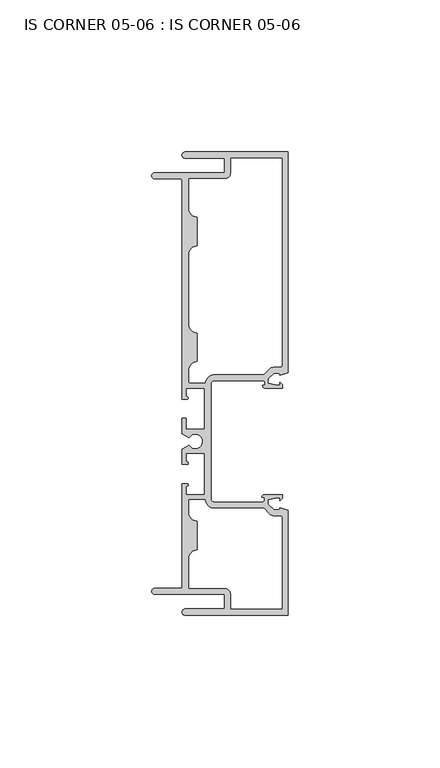
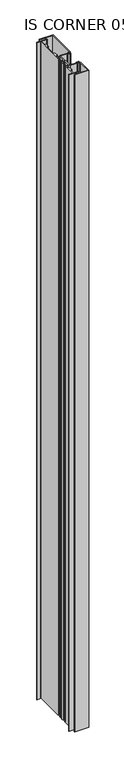
"""IFC4 building model written with IfcOpenShell, lengths in millimetres: plate geometry, IS CORNER 05-06 : IS CORNER 05-06."""

from ifc_helpers import new_model, si_unit, frame, origin, place, context, project, spatial, polyline, circle_curve, source, transform, mapped, element, save
from ifc_brep_helpers import plane_surface, cylinder_surface, revolved_surface, extruded_surface, spline_curve, advanced_brep


def is_corner_05_06_is_corner_05_06_df77340a(model_context):
    return source(origin(), model_context, "Body", "AdvancedBrep", [
        advanced_brep(
        [(-154.5590187, 107.95, 1710.2666667), (-154.5590187, 105.918, 1710.2666667), (-141.5288187, 105.918, 1710.2666667), (-141.5288187, 101.1428, 1710.2666667), (-164.5158187, 101.1428, 1710.2666667), (-164.5158187, 99.1108, 1710.2666667), (-156.0830187, 99.1108, 1710.2666667), (-155.5750187, 98.6028, 1710.2666667), (-155.5750187, 26.6065635, 1710.2666667), (-153.9113187, 26.6065635, 1710.2666667), (-153.9113187, 27.3939635, 1710.2666667), (-154.3050187, 28.0613166, 1710.2666667), (-154.3050187, 30.1879635, 1710.2666667), (-148.0820187, 30.1879635, 1710.2666667), (-148.0820187, 16.6751635, 1710.2666667), (-154.3050187, 16.6751635, 1710.2666667), (-154.3050187, 20.2565635, 1710.2666667), (-155.5750187, 20.2565635, 1710.2666667), (-155.5750187, 15.2424237, 1710.2666667), (-153.283238, 13.9192635, 1710.2666667), (-153.283238, 11.5062635, 1710.2666667), (-155.5750187, 10.1831033, 1710.2666667), (-155.5750187, 5.1689635, 1710.2666667), (-153.9113187, 5.1689635, 1710.2666667), (-154.3050187, 6.1451016, 1710.2666667), (-154.3050187, 8.7503635, 1710.2666667), (-148.0820187, 8.7503635, 1710.2666667), (-148.0820187, -4.7624365, 1710.2666667), (-154.3050187, -4.7624365, 1710.2666667), (-154.3050187, -2.1610439, 1710.2666667), (-153.9113187, -1.1849057, 1710.2666667), (-155.5750187, -1.1849057, 1710.2666667), (-155.5750187, -35.6108, 1710.2666667), (-164.5158187, -35.6108, 1710.2666667), (-164.5158187, -37.6428, 1710.2666667), (-141.5288187, -37.6428, 1710.2666667), (-141.5288187, -42.418, 1710.2666667), (-154.5590187, -42.418, 1710.2666667), (-154.5590187, -44.45, 1710.2666667), (-120.6500187, -44.45, 1710.2666667), (-120.6500187, -9.9816997, 1710.2666667), (-123.2535187, -9.06653, 1710.2666667), (-123.5124448, -9.80313, 1710.2666667), (-125.3378787, -9.80313, 1710.2666667), (-127.2159187, -7.92353, 1710.2666667), (-127.2159187, -6.4494761, 1710.2666667), (-124.2187187, -5.7912, 1710.2666667), (-123.2535187, -5.7912, 1710.2666667), (-123.2535187, -6.734082, 1710.2666667), (-122.4395461, -5.9201094, 1710.2666667), (-122.4395461, -4.7752, 1710.2666667), (-128.3026339, -4.7752, 1710.2666667), (-129.2679609, -5.740527, 1710.2666667), (-128.4859187, -5.740527, 1710.2666667), (-128.4859187, -6.680327, 1710.2666667), (-129.1209187, -7.315327, 1710.2666667), (-144.7800187, -7.315327, 1710.2666667), (-146.0500187, -6.045327, 1710.2666667), (-146.0500187, 31.445327, 1710.2666667), (-144.7800187, 32.715327, 1710.2666667), (-128.8232625, 32.715327, 1710.2666667), (-128.1882625, 32.080327, 1710.2666667), (-128.1882625, 31.140527, 1710.2666667), (-129.0447187, 31.140527, 1710.2666667), (-128.0793917, 30.1752, 1710.2666667), (-122.4395461, 30.1752, 1710.2666667), (-122.4395461, 31.3201094, 1710.2666667), (-123.2535187, 32.134082, 1710.2666667), (-123.2535187, 31.1912, 1710.2666667), (-124.2187187, 31.1912, 1710.2666667), (-127.2159187, 31.8494761, 1710.2666667), (-127.2159187, 33.32353, 1710.2666667), (-125.3378787, 35.20313, 1710.2666667), (-123.5124448, 35.20313, 1710.2666667), (-123.2535187, 34.46653, 1710.2666667), (-120.6500187, 35.3816997, 1710.2666667), (-120.6500187, 107.95, 1710.2666667), (-153.2890187, 99.1108, 1710.2666667), (-141.5288187, 99.1108, 1710.2666667), (-139.4968187, 101.1428, 1710.2666667), (-139.4968187, 105.918, 1710.2666667), (-122.6820187, 105.918, 1710.2666667), (-122.6820187, 37.74313, 1710.2666667), (-123.1900187, 37.23513, 1710.2666667), (-125.0746986, 37.23513, 1710.2666667), (-126.9613352, 36.4532007, 1710.2666667), (-128.6657931, 34.747327, 1710.2666667), (-144.7800187, 34.747327, 1710.2666667), (-148.0406949, 31.9660905, 1710.2666667), (-152.7810187, 31.9660905, 1710.2666667), (-153.2890187, 32.4740905, 1710.2666667), (-153.2890187, 36.1188, 1710.2666667), (-150.4950187, 38.9128, 1710.2666667), (-150.4950187, 48.4378, 1710.2666667), (-153.2890187, 51.2318, 1710.2666667), (-153.2890187, 74.2315, 1710.2666667), (-150.4950187, 77.0255, 1710.2666667), (-150.4950187, 86.5505, 1710.2666667), (-153.2890187, 89.3445, 1710.2666667), (-125.0746986, -11.83513, 1710.2666667), (-123.1900187, -11.83513, 1710.2666667), (-122.6820187, -12.34313, 1710.2666667), (-122.6820187, -42.418, 1710.2666667), (-139.4968187, -42.418, 1710.2666667), (-139.4968187, -37.6428, 1710.2666667), (-141.5288187, -35.6108, 1710.2666667), (-153.2890187, -35.6108, 1710.2666667), (-153.2890187, -25.8318, 1710.2666667), (-150.4950187, -23.0378, 1710.2666667), (-150.4950187, -13.5128, 1710.2666667), (-153.2890187, -10.7188, 1710.2666667), (-153.2890187, -6.5405635, 1710.2666667), (-148.0446695, -6.5405635, 1710.2666667), (-144.7800187, -9.347327, 1710.2666667), (-128.6657931, -9.347327, 1710.2666667), (-126.9613352, -11.0532007, 1710.2666667), (-154.5590187, 107.95, 0.0), (-120.6500187, 107.95, 0.0), (-120.6500187, 35.3816997, 0.0), (-123.2535187, 34.46653, 0.0), (-123.5124448, 35.20313, 0.0), (-125.3378787, 35.20313, 0.0), (-127.2159187, 33.32353, 0.0), (-127.2159187, 31.8494761, 0.0), (-124.2187187, 31.1912, 0.0), (-123.2535187, 31.1912, 0.0), (-123.2535187, 32.134082, 0.0), (-122.4395461, 31.3201094, 0.0), (-122.4395461, 30.1752, 0.0), (-128.0793917, 30.1752, 0.0), (-129.0447187, 31.140527, 0.0), (-128.1882625, 31.140527, 0.0), (-128.1882625, 32.080327, 0.0), (-128.8232625, 32.715327, 0.0), (-144.7800187, 32.715327, 0.0), (-146.0500187, 31.445327, 0.0), (-146.0500187, -6.045327, 0.0), (-144.7800187, -7.315327, 0.0), (-129.1209187, -7.315327, 0.0), (-128.4859187, -6.680327, 0.0), (-128.4859187, -5.740527, 0.0), (-129.2679609, -5.740527, 0.0), (-128.3026339, -4.7752, 0.0), (-122.4395461, -4.7752, 0.0), (-122.4395461, -5.9201094, 0.0), (-123.2535187, -6.734082, 0.0), (-123.2535187, -5.7912, 0.0), (-124.2187187, -5.7912, 0.0), (-127.2159187, -6.4494761, 0.0), (-127.2159187, -7.92353, 0.0), (-125.3378787, -9.80313, 0.0), (-123.5124448, -9.80313, 0.0), (-123.2535187, -9.06653, 0.0), (-120.6500187, -9.9816997, 0.0), (-120.6500187, -44.45, 0.0), (-154.5590187, -44.45, 0.0), (-154.5590187, -42.418, 0.0), (-141.5288187, -42.418, 0.0), (-141.5288187, -37.6428, 0.0), (-164.5158187, -37.6428, 0.0), (-164.5158187, -35.6108, 0.0), (-155.5750187, -35.6108, 0.0), (-155.5750187, -1.1849057, 0.0), (-153.9113187, -1.1849057, 0.0), (-154.3050187, -2.1610439, 0.0), (-154.3050187, -4.7624365, 0.0), (-148.0820187, -4.7624365, 0.0), (-148.0820187, 8.7503635, 0.0), (-154.3050187, 8.7503635, 0.0), (-154.3050187, 6.1451016, 0.0), (-153.9113187, 5.1689635, 0.0), (-155.5750187, 5.1689635, 0.0), (-155.5750187, 10.1831033, 0.0), (-153.283238, 11.5062635, 0.0), (-153.283238, 13.9192635, 0.0), (-155.5750187, 15.2424237, 0.0), (-155.5750187, 20.2565635, 0.0), (-154.3050187, 20.2565635, 0.0), (-154.3050187, 16.6751635, 0.0), (-148.0820187, 16.6751635, 0.0), (-148.0820187, 30.1879635, 0.0), (-154.3050187, 30.1879635, 0.0), (-154.3050187, 28.0613166, 0.0), (-153.9113187, 27.3939635, 0.0), (-153.9113187, 26.6065635, 0.0), (-155.5750187, 26.6065635, 0.0), (-155.5750187, 98.6028, 0.0), (-156.0830187, 99.1108, 0.0), (-164.5158187, 99.1108, 0.0), (-164.5158187, 101.1428, 0.0), (-141.5288187, 101.1428, 0.0), (-141.5288187, 105.918, 0.0), (-154.5590187, 105.918, 0.0), (-153.2890187, 99.1108, 0.0), (-153.2890187, 89.3445, 0.0), (-150.4950187, 86.5505, 0.0), (-150.4950187, 77.0255, 0.0), (-153.2890187, 74.2315, 0.0), (-153.2890187, 51.2318, 0.0), (-150.4950187, 48.4378, 0.0), (-150.4950187, 38.9128, 0.0), (-153.2890187, 36.1188, 0.0), (-153.2890187, 32.4740905, 0.0), (-152.7810187, 31.9660905, 0.0), (-148.0406949, 31.9660905, 0.0), (-144.7800187, 34.747327, 0.0), (-128.6657931, 34.747327, 0.0), (-126.9613352, 36.4532007, 0.0), (-125.0746986, 37.23513, 0.0), (-123.1900187, 37.23513, 0.0), (-122.6820187, 37.74313, 0.0), (-122.6820187, 105.918, 0.0), (-139.4968187, 105.918, 0.0), (-139.4968187, 101.1428, 0.0), (-141.5288187, 99.1108, 0.0), (-125.0746986, -11.83513, 0.0), (-126.9613352, -11.0532007, 0.0), (-128.6657931, -9.347327, 0.0), (-144.7800187, -9.347327, 0.0), (-148.0446695, -6.5405635, 0.0), (-153.2890187, -6.5405635, 0.0), (-153.2890187, -10.7188, 0.0), (-150.4950187, -13.5128, 0.0), (-150.4950187, -23.0378, 0.0), (-153.2890187, -25.8318, 0.0), (-153.2890187, -35.6108, 0.0), (-141.5288187, -35.6108, 0.0), (-139.4968187, -37.6428, 0.0), (-139.4968187, -42.418, 0.0), (-122.6820187, -42.418, 0.0), (-122.6820187, -12.34313, 0.0), (-123.1900187, -11.83513, 0.0)],
        [
            (0, 1, circle_curve(frame((-154.5590187, 106.934, 1710.2666667), z_axis=(0.0, 0.0, 1.0), x_axis=(0.0, 1.0, 0.0)), 1.016)),
            (1, 2),
            (2, 3),
            (3, 4),
            (4, 5, circle_curve(frame((-164.5158187, 100.1268, 1710.2666667), z_axis=(0.0, 0.0, 1.0), x_axis=(0.0, 1.0, 0.0)), 1.016)),
            (5, 6),
            (6, 7, circle_curve(frame((-156.0830187, 98.6028, 1710.2666667), z_axis=(0.0, 0.0, -1.0), x_axis=(0.0, 1.0, 0.0)), 0.508)),
            (7, 8),
            (8, 9),
            (9, 10, circle_curve(frame((-153.9113187, 27.0002635, 1710.2666667), z_axis=(0.0, 0.0, 1.0), x_axis=(0.0, 1.0, 0.0)), 0.3937)),
            (10, 11, circle_curve(frame((-153.5425602, 28.0613166, 1710.2666667), z_axis=(0.0, 0.0, -1.0), x_axis=(0.0, 1.0, 0.0)), 0.7624585)),
            (11, 12),
            (12, 13),
            (13, 14),
            (14, 15),
            (15, 16),
            (16, 17),
            (17, 18),
            (18, 19),
            (19, 20, circle_curve(frame((-151.1935187, 12.7127635, 1710.2666667), z_axis=(0.0, 0.0, -1.0), x_axis=(0.0, 1.0, 0.0)), 2.413)),
            (20, 21),
            (21, 22),
            (22, 23),
            (23, 24, spline_curve(3, [(-153.9113187, 5.1689635, 1710.2666667), (-153.671535181, 5.211243804, 1710.2666667), (-153.630374786, 5.24201685, 1710.2666667), (-153.562269102, 5.317468563, 1710.2666667), (-153.554627603, 5.360805734, 1710.2666667), (-153.539135997, 5.546790741, 1710.2666667), (-153.532769866, 5.725625622, 1710.2666667), (-153.746569705, 5.939336439, 1710.2666667), (-154.011155468, 5.93933635, 1710.2666667), (-154.3050187, 6.1451016, 1710.2666667)], [4, 2, 2, 2, 4], [0.0, 0.0005581775979920252, 0.0014141886036385456, 0.002659292844354508, 0.004147214338502557])),
            (24, 25),
            (25, 26),
            (26, 27),
            (27, 28),
            (28, 29),
            (29, 30, spline_curve(3, [(-154.3050187, -2.1610439, 1710.2666667), (-154.011155468, -1.95527865, 1710.2666667), (-153.746569705, -1.955278639, 1710.2666667), (-153.532769866, -1.741567822, 1710.2666667), (-153.539135997, -1.562732941, 1710.2666667), (-153.554627603, -1.376747934, 1710.2666667), (-153.562269102, -1.333410763, 1710.2666667), (-153.630374786, -1.25795905, 1710.2666667), (-153.671535181, -1.227186004, 1710.2666667), (-153.9113187, -1.1849057, 1710.2666667)], [4, 2, 2, 2, 4], [0.0, 0.0014879214941480494, 0.0027330257348640117, 0.003589036740510532, 0.004147214338502557])),
            (30, 31),
            (31, 32),
            (32, 33),
            (33, 34, circle_curve(frame((-164.5158187, -36.6268, 1710.2666667), z_axis=(0.0, 0.0, 1.0), x_axis=(0.0, 1.0, 0.0)), 1.016)),
            (34, 35),
            (35, 36),
            (36, 37),
            (37, 38, circle_curve(frame((-154.5590187, -43.434, 1710.2666667), z_axis=(0.0, 0.0, 1.0), x_axis=(0.0, 1.0, 0.0)), 1.016)),
            (38, 39),
            (39, 40),
            (40, 41),
            (41, 42),
            (42, 43),
            (43, 44),
            (44, 45),
            (45, 46),
            (46, 47),
            (47, 48),
            (48, 49),
            (49, 50),
            (50, 51),
            (51, 52, circle_curve(frame((-128.3026339, -5.740527, 1710.2666667), z_axis=(0.0, 0.0, 1.0), x_axis=(0.0, 1.0, 0.0)), 0.965327)),
            (52, 53),
            (53, 54),
            (54, 55, circle_curve(frame((-129.1209187, -6.680327, 1710.2666667), z_axis=(0.0, 0.0, -1.0), x_axis=(0.0, 1.0, 0.0)), 0.635)),
            (55, 56),
            (56, 57, circle_curve(frame((-144.7800187, -6.045327, 1710.2666667), z_axis=(0.0, 0.0, -1.0), x_axis=(0.0, 1.0, 0.0)), 1.27)),
            (57, 58),
            (58, 59, circle_curve(frame((-144.7800187, 31.445327, 1710.2666667), z_axis=(0.0, 0.0, -1.0), x_axis=(0.0, 1.0, 0.0)), 1.27)),
            (59, 60),
            (60, 61, circle_curve(frame((-128.8232625, 32.080327, 1710.2666667), z_axis=(0.0, 0.0, -1.0), x_axis=(0.0, 1.0, 0.0)), 0.635)),
            (61, 62),
            (62, 63),
            (63, 64, circle_curve(frame((-128.0793917, 31.140527, 1710.2666667), z_axis=(0.0, 0.0, 1.0), x_axis=(0.0, 1.0, 0.0)), 0.965327)),
            (64, 65),
            (65, 66),
            (66, 67),
            (67, 68),
            (68, 69),
            (69, 70),
            (70, 71),
            (71, 72),
            (72, 73),
            (73, 74),
            (74, 75),
            (75, 76),
            (76, 0),
            (77, 78),
            (78, 79, circle_curve(frame((-141.5288187, 101.1428, 1710.2666667), z_axis=(0.0, 0.0, 1.0), x_axis=(0.0, 1.0, 0.0)), 2.032)),
            (79, 80),
            (80, 81),
            (81, 82),
            (82, 83, circle_curve(frame((-123.1900187, 37.74313, 1710.2666667), z_axis=(0.0, 0.0, -1.0), x_axis=(0.0, 1.0, 0.0)), 0.508)),
            (83, 84),
            (84, 85, circle_curve(frame((-125.0746986, 34.56813, 1710.2666667), z_axis=(0.0, 0.0, 1.0), x_axis=(0.0, 1.0, 0.0)), 2.667)),
            (85, 86),
            (86, 87),
            (87, 88, circle_curve(frame((-144.7800187, 31.445327, 1710.2666667), z_axis=(0.0, 0.0, 1.0), x_axis=(0.0, 1.0, 0.0)), 3.302)),
            (88, 89),
            (89, 90, circle_curve(frame((-152.7810187, 32.4740905, 1710.2666667), z_axis=(0.0, 0.0, -1.0), x_axis=(0.0, 1.0, 0.0)), 0.508)),
            (90, 91),
            (91, 92, circle_curve(frame((-150.4950187, 36.1188, 1710.2666667), z_axis=(0.0, 0.0, -1.0), x_axis=(0.0, 1.0, 0.0)), 2.794)),
            (92, 93),
            (93, 94, circle_curve(frame((-150.4950187, 51.2318, 1710.2666667), z_axis=(0.0, 0.0, -1.0), x_axis=(0.0, 1.0, 0.0)), 2.794)),
            (94, 95),
            (95, 96, circle_curve(frame((-150.4950187, 74.2315, 1710.2666667), z_axis=(0.0, 0.0, -1.0), x_axis=(0.0, 1.0, 0.0)), 2.794)),
            (96, 97),
            (97, 98, circle_curve(frame((-150.4950187, 89.3445, 1710.2666667), z_axis=(0.0, 0.0, -1.0), x_axis=(0.0, 1.0, 0.0)), 2.794)),
            (98, 77),
            (99, 100),
            (100, 101, circle_curve(frame((-123.1900187, -12.34313, 1710.2666667), z_axis=(0.0, 0.0, -1.0), x_axis=(0.0, 1.0, 0.0)), 0.508)),
            (101, 102),
            (102, 103),
            (103, 104),
            (104, 105, circle_curve(frame((-141.5288187, -37.6428, 1710.2666667), z_axis=(0.0, 0.0, 1.0), x_axis=(0.0, 1.0, 0.0)), 2.032)),
            (105, 106),
            (106, 107),
            (107, 108, circle_curve(frame((-150.4950187, -25.8318, 1710.2666667), z_axis=(0.0, 0.0, -1.0), x_axis=(0.0, 1.0, 0.0)), 2.794)),
            (108, 109),
            (109, 110, circle_curve(frame((-150.4950187, -10.7188, 1710.2666667), z_axis=(0.0, 0.0, -1.0), x_axis=(0.0, 1.0, 0.0)), 2.794)),
            (110, 111),
            (111, 112),
            (112, 113, circle_curve(frame((-144.7800187, -6.045327, 1710.2666667), z_axis=(0.0, 0.0, 1.0), x_axis=(0.0, 1.0, 0.0)), 3.302)),
            (113, 114),
            (114, 115),
            (115, 99, circle_curve(frame((-125.0746986, -9.16813, 1710.2666667), z_axis=(0.0, 0.0, 1.0), x_axis=(0.0, 1.0, 0.0)), 2.667)),
            (116, 117),
            (117, 118),
            (118, 119),
            (119, 120),
            (120, 121),
            (121, 122),
            (122, 123),
            (123, 124),
            (124, 125),
            (125, 126),
            (126, 127),
            (127, 128),
            (128, 129),
            (129, 130, circle_curve(frame((-128.0793917, 31.140527, 0.0), z_axis=(0.0, 0.0, -1.0), x_axis=(0.0, 1.0, 0.0)), 0.965327)),
            (130, 131),
            (131, 132),
            (132, 133, circle_curve(frame((-128.8232625, 32.080327, 0.0), z_axis=(0.0, 0.0, 1.0), x_axis=(0.0, 1.0, 0.0)), 0.635)),
            (133, 134),
            (134, 135, circle_curve(frame((-144.7800187, 31.445327, 0.0), z_axis=(0.0, 0.0, 1.0), x_axis=(0.0, 1.0, 0.0)), 1.27)),
            (135, 136),
            (136, 137, circle_curve(frame((-144.7800187, -6.045327, 0.0), z_axis=(0.0, 0.0, 1.0), x_axis=(0.0, 1.0, 0.0)), 1.27)),
            (137, 138),
            (138, 139, circle_curve(frame((-129.1209187, -6.680327, 0.0), z_axis=(0.0, 0.0, 1.0), x_axis=(0.0, 1.0, 0.0)), 0.635)),
            (139, 140),
            (140, 141),
            (141, 142, circle_curve(frame((-128.3026339, -5.740527, 0.0), z_axis=(0.0, 0.0, -1.0), x_axis=(0.0, 1.0, 0.0)), 0.965327)),
            (142, 143),
            (143, 144),
            (144, 145),
            (145, 146),
            (146, 147),
            (147, 148),
            (148, 149),
            (149, 150),
            (150, 151),
            (151, 152),
            (152, 153),
            (153, 154),
            (154, 155),
            (155, 156, circle_curve(frame((-154.5590187, -43.434, 0.0), z_axis=(0.0, 0.0, -1.0), x_axis=(0.0, 1.0, 0.0)), 1.016)),
            (156, 157),
            (157, 158),
            (158, 159),
            (159, 160, circle_curve(frame((-164.5158187, -36.6268, 0.0), z_axis=(0.0, 0.0, -1.0), x_axis=(0.0, 1.0, 0.0)), 1.016)),
            (160, 161),
            (161, 162),
            (162, 163),
            (163, 164, spline_curve(3, [(-153.9113187, -1.1849057, 0.0), (-153.671535181, -1.227186004, 0.0), (-153.630374786, -1.25795905, 0.0), (-153.562269102, -1.333410763, 0.0), (-153.554627603, -1.376747934, 0.0), (-153.539135997, -1.562732941, 0.0), (-153.532769866, -1.741567822, 0.0), (-153.746569705, -1.955278639, 0.0), (-154.011155468, -1.95527865, 0.0), (-154.3050187, -2.1610439, 0.0)], [4, 2, 2, 2, 4], [0.0, 0.0005581775979920252, 0.0014141886036385456, 0.002659292844354508, 0.004147214338502557])),
            (164, 165),
            (165, 166),
            (166, 167),
            (167, 168),
            (168, 169),
            (169, 170, spline_curve(3, [(-154.3050187, 6.1451016, 0.0), (-154.011155468, 5.93933635, 0.0), (-153.746569705, 5.939336439, 0.0), (-153.532769866, 5.725625622, 0.0), (-153.539135997, 5.546790741, 0.0), (-153.554627603, 5.360805734, 0.0), (-153.562269102, 5.317468563, 0.0), (-153.630374786, 5.24201685, 0.0), (-153.671535181, 5.211243804, 0.0), (-153.9113187, 5.1689635, 0.0)], [4, 2, 2, 2, 4], [0.0, 0.0014879214941480494, 0.0027330257348640117, 0.003589036740510532, 0.004147214338502557])),
            (170, 171),
            (171, 172),
            (172, 173),
            (173, 174, circle_curve(frame((-151.1935187, 12.7127635, 0.0), z_axis=(0.0, 0.0, 1.0), x_axis=(0.0, 1.0, 0.0)), 2.413)),
            (174, 175),
            (175, 176),
            (176, 177),
            (177, 178),
            (178, 179),
            (179, 180),
            (180, 181),
            (181, 182),
            (182, 183, circle_curve(frame((-153.5425602, 28.0613166, 0.0), z_axis=(0.0, 0.0, 1.0), x_axis=(0.0, 1.0, 0.0)), 0.7624585)),
            (183, 184, circle_curve(frame((-153.9113187, 27.0002635, 0.0), z_axis=(0.0, 0.0, -1.0), x_axis=(0.0, 1.0, 0.0)), 0.3937)),
            (184, 185),
            (185, 186),
            (186, 187, circle_curve(frame((-156.0830187, 98.6028, 0.0), z_axis=(0.0, 0.0, 1.0), x_axis=(0.0, 1.0, 0.0)), 0.508)),
            (187, 188),
            (188, 189, circle_curve(frame((-164.5158187, 100.1268, 0.0), z_axis=(0.0, 0.0, -1.0), x_axis=(0.0, 1.0, 0.0)), 1.016)),
            (189, 190),
            (190, 191),
            (191, 192),
            (192, 116, circle_curve(frame((-154.5590187, 106.934, 0.0), z_axis=(0.0, 0.0, -1.0), x_axis=(0.0, 1.0, 0.0)), 1.016)),
            (193, 194),
            (194, 195, circle_curve(frame((-150.4950187, 89.3445, 0.0), z_axis=(0.0, 0.0, 1.0), x_axis=(0.0, 1.0, 0.0)), 2.794)),
            (195, 196),
            (196, 197, circle_curve(frame((-150.4950187, 74.2315, 0.0), z_axis=(0.0, 0.0, 1.0), x_axis=(0.0, 1.0, 0.0)), 2.794)),
            (197, 198),
            (198, 199, circle_curve(frame((-150.4950187, 51.2318, 0.0), z_axis=(0.0, 0.0, 1.0), x_axis=(0.0, 1.0, 0.0)), 2.794)),
            (199, 200),
            (200, 201, circle_curve(frame((-150.4950187, 36.1188, 0.0), z_axis=(0.0, 0.0, 1.0), x_axis=(0.0, 1.0, 0.0)), 2.794)),
            (201, 202),
            (202, 203, circle_curve(frame((-152.7810187, 32.4740905, 0.0), z_axis=(0.0, 0.0, 1.0), x_axis=(0.0, 1.0, 0.0)), 0.508)),
            (203, 204),
            (204, 205, circle_curve(frame((-144.7800187, 31.445327, 0.0), z_axis=(0.0, 0.0, -1.0), x_axis=(0.0, 1.0, 0.0)), 3.302)),
            (205, 206),
            (206, 207),
            (207, 208, circle_curve(frame((-125.0746986, 34.56813, 0.0), z_axis=(0.0, 0.0, -1.0), x_axis=(0.0, 1.0, 0.0)), 2.667)),
            (208, 209),
            (209, 210, circle_curve(frame((-123.1900187, 37.74313, 0.0), z_axis=(0.0, 0.0, 1.0), x_axis=(0.0, 1.0, 0.0)), 0.508)),
            (210, 211),
            (211, 212),
            (212, 213),
            (213, 214, circle_curve(frame((-141.5288187, 101.1428, 0.0), z_axis=(0.0, 0.0, -1.0), x_axis=(0.0, 1.0, 0.0)), 2.032)),
            (214, 193),
            (215, 216, circle_curve(frame((-125.0746986, -9.16813, 0.0), z_axis=(0.0, 0.0, -1.0), x_axis=(0.0, 1.0, 0.0)), 2.667)),
            (216, 217),
            (217, 218),
            (218, 219, circle_curve(frame((-144.7800187, -6.045327, 0.0), z_axis=(0.0, 0.0, -1.0), x_axis=(0.0, 1.0, 0.0)), 3.302)),
            (219, 220),
            (220, 221),
            (221, 222, circle_curve(frame((-150.4950187, -10.7188, 0.0), z_axis=(0.0, 0.0, 1.0), x_axis=(0.0, 1.0, 0.0)), 2.794)),
            (222, 223),
            (223, 224, circle_curve(frame((-150.4950187, -25.8318, 0.0), z_axis=(0.0, 0.0, 1.0), x_axis=(0.0, 1.0, 0.0)), 2.794)),
            (224, 225),
            (225, 226),
            (226, 227, circle_curve(frame((-141.5288187, -37.6428, 0.0), z_axis=(0.0, 0.0, -1.0), x_axis=(0.0, 1.0, 0.0)), 2.032)),
            (227, 228),
            (228, 229),
            (229, 230),
            (230, 231, circle_curve(frame((-123.1900187, -12.34313, 0.0), z_axis=(0.0, 0.0, 1.0), x_axis=(0.0, 1.0, 0.0)), 0.508)),
            (231, 215),
            (76, 117),
            (116, 0),
            (75, 118),
            (74, 119),
            (73, 120),
            (72, 121),
            (71, 122),
            (70, 123),
            (69, 124),
            (68, 125),
            (67, 126),
            (66, 127),
            (65, 128),
            (64, 129),
            (63, 130),
            (62, 131),
            (61, 132),
            (60, 133),
            (59, 134),
            (58, 135),
            (57, 136),
            (56, 137),
            (55, 138),
            (54, 139),
            (53, 140),
            (52, 141),
            (51, 142),
            (50, 143),
            (49, 144),
            (48, 145),
            (47, 146),
            (46, 147),
            (45, 148),
            (44, 149),
            (43, 150),
            (42, 151),
            (41, 152),
            (40, 153),
            (39, 154),
            (38, 155),
            (37, 156),
            (36, 157),
            (35, 158),
            (34, 159),
            (33, 160),
            (32, 161),
            (31, 162),
            (30, 163),
            (29, 164),
            (28, 165),
            (27, 166),
            (26, 167),
            (25, 168),
            (24, 169),
            (23, 170),
            (22, 171),
            (21, 172),
            (20, 173),
            (19, 174),
            (18, 175),
            (17, 176),
            (16, 177),
            (15, 178),
            (14, 179),
            (13, 180),
            (12, 181),
            (11, 182),
            (10, 183),
            (9, 184),
            (8, 185),
            (7, 186),
            (6, 187),
            (5, 188),
            (4, 189),
            (3, 190),
            (2, 191),
            (1, 192),
            (98, 194),
            (193, 77),
            (97, 195),
            (96, 196),
            (95, 197),
            (94, 198),
            (93, 199),
            (92, 200),
            (91, 201),
            (90, 202),
            (89, 203),
            (88, 204),
            (87, 205),
            (86, 206),
            (85, 207),
            (84, 208),
            (83, 209),
            (82, 210),
            (81, 211),
            (80, 212),
            (79, 213),
            (78, 214),
            (115, 216),
            (215, 99),
            (114, 217),
            (113, 218),
            (112, 219),
            (111, 220),
            (110, 221),
            (109, 222),
            (108, 223),
            (107, 224),
            (106, 225),
            (105, 226),
            (104, 227),
            (103, 228),
            (102, 229),
            (101, 230),
            (100, 231),
        ],
        [
            plane_surface(frame((-203.2, 0.0, 1710.2666667), z_axis=(0.0, 0.0, 1.0), x_axis=(0.0, 1.0, 0.0))),
            plane_surface(frame((-203.2, 0.0, 0.0), z_axis=(0.0, 0.0, -1.0), x_axis=(0.0, 1.0, 0.0))),
            plane_surface(frame((-154.5590187, 107.95, 1710.2666667), z_axis=(0.0, 1.0, 0.0), x_axis=(0.0, 0.0, -1.0))),
            plane_surface(frame((-120.6500187, 107.95, 1710.2666667), z_axis=(1.0, 0.0, 0.0), x_axis=(0.0, 0.0, -1.0))),
            plane_surface(frame((-120.6500187, 35.3816997, 1710.2666667), z_axis=(0.33162354217178447, -0.9434118010060287, 0.0), x_axis=(0.0, 0.0, -1.0))),
            plane_surface(frame((-123.2535187, 34.46653, 1710.2666667), z_axis=(-0.9434118010060182, -0.3316235421718146, 0.0), x_axis=(0.0, 0.0, -1.0))),
            plane_surface(frame((-123.5124448, 35.20313, 1710.2666667), z_axis=(0.0, -1.0, 0.0), x_axis=(0.0, 0.0, -1.0))),
            plane_surface(frame((-125.3378787, 35.20313, 1710.2666667), z_axis=(0.7074002732966547, -0.7068131672088589, 0.0), x_axis=(0.0, 0.0, -1.0))),
            plane_surface(frame((-127.2159187, 33.32353, 1710.2666667), z_axis=(1.0, 0.0, 0.0), x_axis=(0.0, 0.0, -1.0))),
            plane_surface(frame((-127.2159187, 31.8494761, 1710.2666667), z_axis=(0.21451738649468677, 0.9767201702081765, 0.0), x_axis=(0.0, 0.0, -1.0))),
            plane_surface(frame((-124.2187187, 31.1912, 1710.2666667), z_axis=(0.0, 1.0, 0.0), x_axis=(0.0, 0.0, -1.0))),
            plane_surface(frame((-123.2535187, 31.1912, 1710.2666667), z_axis=(-1.0, 0.0, 0.0), x_axis=(0.0, 0.0, -1.0))),
            plane_surface(frame((-123.2535187, 32.134082, 1710.2666667), z_axis=(0.7071067811865605, 0.7071067811865347, 0.0), x_axis=(0.0, 0.0, -1.0))),
            plane_surface(frame((-122.4395461, 31.3201094, 1710.2666667), z_axis=(1.0, 0.0, 0.0), x_axis=(0.0, 0.0, -1.0))),
            plane_surface(frame((-122.4395461, 30.1752, 1710.2666667), z_axis=(0.0, -1.0, 0.0), x_axis=(0.0, 0.0, -1.0))),
            cylinder_surface(frame((-128.0793917, 31.140527, 1710.2666667), z_axis=(0.0, 0.0, 1.0), x_axis=(0.0, 1.0, 0.0)), 0.965327),
            plane_surface(frame((-129.0447187, 31.140527, 1710.2666667), z_axis=(0.0, 1.0, 0.0), x_axis=(0.0, 0.0, -1.0))),
            plane_surface(frame((-128.1882625, 31.140527, 1710.2666667), z_axis=(-1.0, 0.0, 0.0), x_axis=(0.0, 0.0, -1.0))),
            revolved_surface(polyline([(-128.8232625, 32.715326999999995, 0.0), (-128.8232625, 32.715326999999995, 1710.2666667)]), (-128.8232625, 32.080327, 1710.2666667), (0.0, 0.0, -1.0)),
            plane_surface(frame((-128.8232625, 32.715327, 1710.2666667), z_axis=(0.0, -1.0, 0.0), x_axis=(0.0, 0.0, -1.0))),
            revolved_surface(polyline([(-144.7800187, 32.715327, 0.0), (-144.7800187, 32.715327, 1710.2666667)]), (-144.7800187, 31.445327, 1710.2666667), (0.0, 0.0, -1.0)),
            plane_surface(frame((-146.0500187, 31.445327, 1710.2666667), z_axis=(1.0, 0.0, 0.0), x_axis=(0.0, 0.0, -1.0))),
            revolved_surface(polyline([(-144.7800187, -4.775327000000001, 0.0), (-144.7800187, -4.775327000000001, 1710.2666667)]), (-144.7800187, -6.045327, 1710.2666667), (0.0, 0.0, -1.0)),
            plane_surface(frame((-144.7800187, -7.315327, 1710.2666667), z_axis=(0.0, 1.0, 0.0), x_axis=(0.0, 0.0, -1.0))),
            revolved_surface(polyline([(-129.1209187, -6.045327, 0.0), (-129.1209187, -6.045327, 1710.2666667)]), (-129.1209187, -6.680327, 1710.2666667), (0.0, 0.0, -1.0)),
            plane_surface(frame((-128.4859187, -6.680327, 1710.2666667), z_axis=(-1.0, 0.0, 0.0), x_axis=(0.0, 0.0, -1.0))),
            plane_surface(frame((-128.4859187, -5.740527, 1710.2666667), z_axis=(0.0, -1.0, 0.0), x_axis=(0.0, 0.0, -1.0))),
            cylinder_surface(frame((-128.3026339, -5.740527, 1710.2666667), z_axis=(0.0, 0.0, 1.0), x_axis=(0.0, 1.0, 0.0)), 0.965327),
            plane_surface(frame((-128.3026339, -4.7752, 1710.2666667), z_axis=(0.0, 1.0, 0.0), x_axis=(0.0, 0.0, -1.0))),
            plane_surface(frame((-122.4395461, -4.7752, 1710.2666667), z_axis=(1.0, 0.0, 0.0), x_axis=(0.0, 0.0, -1.0))),
            plane_surface(frame((-122.4395461, -5.9201094, 1710.2666667), z_axis=(0.707106781186564, -0.707106781186531, 0.0), x_axis=(0.0, 0.0, -1.0))),
            plane_surface(frame((-123.2535187, -6.734082, 1710.2666667), z_axis=(-1.0, 0.0, 0.0), x_axis=(0.0, 0.0, -1.0))),
            plane_surface(frame((-123.2535187, -5.7912, 1710.2666667), z_axis=(0.0, -1.0, 0.0), x_axis=(0.0, 0.0, -1.0))),
            plane_surface(frame((-124.2187187, -5.7912, 1710.2666667), z_axis=(0.21451738649469995, -0.9767201702081736, 0.0), x_axis=(0.0, 0.0, -1.0))),
            plane_surface(frame((-127.2159187, -6.4494761, 1710.2666667), z_axis=(1.0, 0.0, 0.0), x_axis=(0.0, 0.0, -1.0))),
            plane_surface(frame((-127.2159187, -7.92353, 1710.2666667), z_axis=(0.707400273296642, 0.7068131672088717, 0.0), x_axis=(0.0, 0.0, -1.0))),
            plane_surface(frame((-125.3378787, -9.80313, 1710.2666667), z_axis=(0.0, 1.0, 0.0), x_axis=(0.0, 0.0, -1.0))),
            plane_surface(frame((-123.5124448, -9.80313, 1710.2666667), z_axis=(-0.9434118010060171, 0.33162354217181794, 0.0), x_axis=(0.0, 0.0, -1.0))),
            plane_surface(frame((-123.2535187, -9.06653, 1710.2666667), z_axis=(0.3316235421717818, 0.9434118010060297, 0.0), x_axis=(0.0, 0.0, -1.0))),
            plane_surface(frame((-120.6500187, -9.9816997, 1710.2666667), z_axis=(1.0, 0.0, 0.0), x_axis=(0.0, 0.0, -1.0))),
            plane_surface(frame((-120.6500187, -44.45, 1710.2666667), z_axis=(0.0, -1.0, 0.0), x_axis=(0.0, 0.0, -1.0))),
            cylinder_surface(frame((-154.5590187, -43.434, 1710.2666667), z_axis=(0.0, 0.0, 1.0), x_axis=(0.0, 1.0, 0.0)), 1.016),
            plane_surface(frame((-154.5590187, -42.418, 1710.2666667), z_axis=(0.0, 1.0, 0.0), x_axis=(0.0, 0.0, -1.0))),
            plane_surface(frame((-141.5288187, -42.418, 1710.2666667), z_axis=(-1.0, 0.0, 0.0), x_axis=(0.0, 0.0, -1.0))),
            plane_surface(frame((-141.5288187, -37.6428, 1710.2666667), z_axis=(0.0, -1.0, 0.0), x_axis=(0.0, 0.0, -1.0))),
            cylinder_surface(frame((-164.5158187, -36.6268, 1710.2666667), z_axis=(0.0, 0.0, 1.0), x_axis=(0.0, 1.0, 0.0)), 1.016),
            plane_surface(frame((-164.5158187, -35.6108, 1710.2666667), z_axis=(0.0, 1.0, 0.0), x_axis=(0.0, 0.0, -1.0))),
            plane_surface(frame((-155.5750187, -35.6108, 1710.2666667), z_axis=(-1.0, 0.0, 0.0), x_axis=(0.0, 0.0, -1.0))),
            plane_surface(frame((-155.5750187, -1.1849057, 1710.2666667), z_axis=(0.0, 1.0, 0.0), x_axis=(0.0, 0.0, -1.0))),
            extruded_surface(spline_curve(3, [(-153.9113187, -1.1849057, 1710.2666667), (-153.671535181, -1.227186004, 1710.2666667), (-153.630374786, -1.25795905, 1710.2666667), (-153.562269102, -1.333410763, 1710.2666667), (-153.554627603, -1.376747934, 1710.2666667), (-153.539135997, -1.562732941, 1710.2666667), (-153.532769866, -1.741567822, 1710.2666667), (-153.746569705, -1.955278639, 1710.2666667), (-154.011155468, -1.95527865, 1710.2666667), (-154.3050187, -2.1610439, 1710.2666667)], [4, 2, 2, 2, 4], [0.0, 0.0005581775979920252, 0.0014141886036385456, 0.002659292844354508, 0.004147214338502557]), (0.0, 0.0, -1710.2666667), 1710.2666667),
            plane_surface(frame((-154.3050187, -2.1610439, 1710.2666667), z_axis=(1.0, 0.0, 0.0), x_axis=(0.0, 0.0, -1.0))),
            plane_surface(frame((-154.3050187, -4.7624365, 1710.2666667), z_axis=(0.0, 1.0, 0.0), x_axis=(0.0, 0.0, -1.0))),
            plane_surface(frame((-148.0820187, -4.7624365, 1710.2666667), z_axis=(-1.0, 0.0, 0.0), x_axis=(0.0, 0.0, -1.0))),
            plane_surface(frame((-148.0820187, 8.7503635, 1710.2666667), z_axis=(0.0, -1.0, 0.0), x_axis=(0.0, 0.0, -1.0))),
            plane_surface(frame((-154.3050187, 8.7503635, 1710.2666667), z_axis=(1.0, 0.0, 0.0), x_axis=(0.0, 0.0, -1.0))),
            extruded_surface(spline_curve(3, [(-154.3050187, 6.1451016, 1710.2666667), (-154.011155468, 5.93933635, 1710.2666667), (-153.746569705, 5.939336439, 1710.2666667), (-153.532769866, 5.725625622, 1710.2666667), (-153.539135997, 5.546790741, 1710.2666667), (-153.554627603, 5.360805734, 1710.2666667), (-153.562269102, 5.317468563, 1710.2666667), (-153.630374786, 5.24201685, 1710.2666667), (-153.671535181, 5.211243804, 1710.2666667), (-153.9113187, 5.1689635, 1710.2666667)], [4, 2, 2, 2, 4], [0.0, 0.0014879214941480494, 0.0027330257348640117, 0.003589036740510532, 0.004147214338502557]), (0.0, 0.0, -1710.2666667), 1710.2666667),
            plane_surface(frame((-153.9113187, 5.1689635, 1710.2666667), z_axis=(0.0, -1.0, 0.0), x_axis=(0.0, 0.0, -1.0))),
            plane_surface(frame((-155.5750187, 5.1689635, 1710.2666667), z_axis=(-1.0, 0.0, 0.0), x_axis=(0.0, 0.0, -1.0))),
            plane_surface(frame((-155.5750187, 10.1831033, 1710.2666667), z_axis=(-0.4999999999999164, 0.866025403784487, 0.0), x_axis=(0.0, 0.0, -1.0))),
            revolved_surface(polyline([(-151.1935187, 15.1257635, 0.0), (-151.1935187, 15.1257635, 1710.2666667)]), (-151.1935187, 12.7127635, 1710.2666667), (0.0, 0.0, -1.0)),
            plane_surface(frame((-153.283238, 13.9192635, 1710.2666667), z_axis=(-0.5000000000000643, -0.8660254037844015, 0.0), x_axis=(0.0, 0.0, -1.0))),
            plane_surface(frame((-155.5750187, 15.2424237, 1710.2666667), z_axis=(-1.0, 0.0, 0.0), x_axis=(0.0, 0.0, -1.0))),
            plane_surface(frame((-155.5750187, 20.2565635, 1710.2666667), z_axis=(0.0, 1.0, 0.0), x_axis=(0.0, 0.0, -1.0))),
            plane_surface(frame((-154.3050187, 20.2565635, 1710.2666667), z_axis=(1.0, 0.0, 0.0), x_axis=(0.0, 0.0, -1.0))),
            plane_surface(frame((-154.3050187, 16.6751635, 1710.2666667), z_axis=(0.0, 1.0, 0.0), x_axis=(0.0, 0.0, -1.0))),
            plane_surface(frame((-148.0820187, 16.6751635, 1710.2666667), z_axis=(-1.0, 0.0, 0.0), x_axis=(0.0, 0.0, -1.0))),
            plane_surface(frame((-148.0820187, 30.1879635, 1710.2666667), z_axis=(0.0, -1.0, 0.0), x_axis=(0.0, 0.0, -1.0))),
            plane_surface(frame((-154.3050187, 30.1879635, 1710.2666667), z_axis=(1.0, 0.0, 0.0), x_axis=(0.0, 0.0, -1.0))),
            revolved_surface(polyline([(-153.5425602, 28.823775100000002, 0.0), (-153.5425602, 28.823775100000002, 1710.2666667)]), (-153.5425602, 28.0613166, 1710.2666667), (0.0, 0.0, -1.0)),
            cylinder_surface(frame((-153.9113187, 27.0002635, 1710.2666667), z_axis=(0.0, 0.0, 1.0), x_axis=(0.0, 1.0, 0.0)), 0.3937),
            plane_surface(frame((-153.9113187, 26.6065635, 1710.2666667), z_axis=(0.0, -1.0, 0.0), x_axis=(0.0, 0.0, -1.0))),
            plane_surface(frame((-155.5750187, 26.6065635, 1710.2666667), z_axis=(-1.0, 0.0, 0.0), x_axis=(0.0, 0.0, -1.0))),
            revolved_surface(polyline([(-156.0830187, 99.1108, 0.0), (-156.0830187, 99.1108, 1710.2666667)]), (-156.0830187, 98.6028, 1710.2666667), (0.0, 0.0, -1.0)),
            plane_surface(frame((-156.0830187, 99.1108, 1710.2666667), z_axis=(0.0, -1.0, 0.0), x_axis=(0.0, 0.0, -1.0))),
            cylinder_surface(frame((-164.5158187, 100.1268, 1710.2666667), z_axis=(0.0, 0.0, 1.0), x_axis=(0.0, 1.0, 0.0)), 1.016),
            plane_surface(frame((-164.5158187, 101.1428, 1710.2666667), z_axis=(0.0, 1.0, 0.0), x_axis=(0.0, 0.0, -1.0))),
            plane_surface(frame((-141.5288187, 101.1428, 1710.2666667), z_axis=(-1.0, 0.0, 0.0), x_axis=(0.0, 0.0, -1.0))),
            plane_surface(frame((-141.5288187, 105.918, 1710.2666667), z_axis=(0.0, -1.0, 0.0), x_axis=(0.0, 0.0, -1.0))),
            cylinder_surface(frame((-154.5590187, 106.934, 1710.2666667), z_axis=(0.0, 0.0, 1.0), x_axis=(0.0, 1.0, 0.0)), 1.016),
            plane_surface(frame((-153.2890187, 99.1108, 1710.2666667), z_axis=(1.0, 0.0, 0.0), x_axis=(0.0, 0.0, -1.0))),
            revolved_surface(polyline([(-150.4950187, 92.1385, 0.0), (-150.4950187, 92.1385, 1710.2666667)]), (-150.4950187, 89.3445, 1710.2666667), (0.0, 0.0, -1.0)),
            plane_surface(frame((-150.4950187, 86.5505, 1710.2666667), z_axis=(1.0, 0.0, 0.0), x_axis=(0.0, 0.0, -1.0))),
            revolved_surface(polyline([(-150.4950187, 77.0255, 0.0), (-150.4950187, 77.0255, 1710.2666667)]), (-150.4950187, 74.2315, 1710.2666667), (0.0, 0.0, -1.0)),
            plane_surface(frame((-153.2890187, 74.2315, 1710.2666667), z_axis=(1.0, 0.0, 0.0), x_axis=(0.0, 0.0, -1.0))),
            revolved_surface(polyline([(-150.4950187, 54.0258, 0.0), (-150.4950187, 54.0258, 1710.2666667)]), (-150.4950187, 51.2318, 1710.2666667), (0.0, 0.0, -1.0)),
            plane_surface(frame((-150.4950187, 48.4378, 1710.2666667), z_axis=(1.0, 0.0, 0.0), x_axis=(0.0, 0.0, -1.0))),
            revolved_surface(polyline([(-150.4950187, 38.9128, 0.0), (-150.4950187, 38.9128, 1710.2666667)]), (-150.4950187, 36.1188, 1710.2666667), (0.0, 0.0, -1.0)),
            plane_surface(frame((-153.2890187, 36.1188, 1710.2666667), z_axis=(1.0, 0.0, 0.0), x_axis=(0.0, 0.0, -1.0))),
            revolved_surface(polyline([(-152.7810187, 32.982090500000005, 0.0), (-152.7810187, 32.982090500000005, 1710.2666667)]), (-152.7810187, 32.4740905, 1710.2666667), (0.0, 0.0, -1.0)),
            plane_surface(frame((-152.7810187, 31.9660905, 1710.2666667), z_axis=(0.0, 1.0, 0.0), x_axis=(0.0, 0.0, -1.0))),
            cylinder_surface(frame((-144.7800187, 31.445327, 1710.2666667), z_axis=(0.0, 0.0, 1.0), x_axis=(0.0, 1.0, 0.0)), 3.302),
            plane_surface(frame((-144.7800187, 34.747327, 1710.2666667), z_axis=(0.0, 1.0, 0.0), x_axis=(0.0, 0.0, -1.0))),
            plane_surface(frame((-128.6657931, 34.747327, 1710.2666667), z_axis=(-0.7074002732965818, 0.706813167208932, 0.0), x_axis=(0.0, 0.0, -1.0))),
            cylinder_surface(frame((-125.0746986, 34.56813, 1710.2666667), z_axis=(0.0, 0.0, 1.0), x_axis=(0.0, 1.0, 0.0)), 2.667),
            plane_surface(frame((-125.0746986, 37.23513, 1710.2666667), z_axis=(0.0, 1.0, 0.0), x_axis=(0.0, 0.0, -1.0))),
            revolved_surface(polyline([(-123.1900187, 38.25113, 0.0), (-123.1900187, 38.25113, 1710.2666667)]), (-123.1900187, 37.74313, 1710.2666667), (0.0, 0.0, -1.0)),
            plane_surface(frame((-122.6820187, 37.74313, 1710.2666667), z_axis=(-1.0, 0.0, 0.0), x_axis=(0.0, 0.0, -1.0))),
            plane_surface(frame((-122.6820187, 105.918, 1710.2666667), z_axis=(0.0, -1.0, 0.0), x_axis=(0.0, 0.0, -1.0))),
            plane_surface(frame((-139.4968187, 105.918, 1710.2666667), z_axis=(1.0, 0.0, 0.0), x_axis=(0.0, 0.0, -1.0))),
            cylinder_surface(frame((-141.5288187, 101.1428, 1710.2666667), z_axis=(0.0, 0.0, 1.0), x_axis=(0.0, 1.0, 0.0)), 2.032),
            plane_surface(frame((-141.5288187, 99.1108, 1710.2666667), z_axis=(0.0, -1.0, 0.0), x_axis=(0.0, 0.0, -1.0))),
            cylinder_surface(frame((-125.0746986, -9.16813, 1710.2666667), z_axis=(0.0, 0.0, 1.0), x_axis=(0.0, 1.0, 0.0)), 2.667),
            plane_surface(frame((-126.9613352, -11.0532007, 1710.2666667), z_axis=(-0.7074002732965835, -0.7068131672089301, 0.0), x_axis=(0.0, 0.0, -1.0))),
            plane_surface(frame((-128.6657931, -9.347327, 1710.2666667), z_axis=(0.0, -1.0, 0.0), x_axis=(0.0, 0.0, -1.0))),
            cylinder_surface(frame((-144.7800187, -6.045327, 1710.2666667), z_axis=(0.0, 0.0, 1.0), x_axis=(0.0, 1.0, 0.0)), 3.302),
            plane_surface(frame((-148.0446695, -6.5405635, 1710.2666667), z_axis=(0.0, -1.0, 0.0), x_axis=(0.0, 0.0, -1.0))),
            plane_surface(frame((-153.2890187, -6.5405635, 1710.2666667), z_axis=(1.0, 0.0, 0.0), x_axis=(0.0, 0.0, -1.0))),
            revolved_surface(polyline([(-150.4950187, -7.924799999999999, 0.0), (-150.4950187, -7.924799999999999, 1710.2666667)]), (-150.4950187, -10.7188, 1710.2666667), (0.0, 0.0, -1.0)),
            plane_surface(frame((-150.4950187, -13.5128, 1710.2666667), z_axis=(1.0, 0.0, 0.0), x_axis=(0.0, 0.0, -1.0))),
            revolved_surface(polyline([(-150.4950187, -23.0378, 0.0), (-150.4950187, -23.0378, 1710.2666667)]), (-150.4950187, -25.8318, 1710.2666667), (0.0, 0.0, -1.0)),
            plane_surface(frame((-153.2890187, -25.8318, 1710.2666667), z_axis=(1.0, 0.0, 0.0), x_axis=(0.0, 0.0, -1.0))),
            plane_surface(frame((-153.2890187, -35.6108, 1710.2666667), z_axis=(0.0, 1.0, 0.0), x_axis=(0.0, 0.0, -1.0))),
            cylinder_surface(frame((-141.5288187, -37.6428, 1710.2666667), z_axis=(0.0, 0.0, 1.0), x_axis=(0.0, 1.0, 0.0)), 2.032),
            plane_surface(frame((-139.4968187, -37.6428, 1710.2666667), z_axis=(1.0, 0.0, 0.0), x_axis=(0.0, 0.0, -1.0))),
            plane_surface(frame((-139.4968187, -42.418, 1710.2666667), z_axis=(0.0, 1.0, 0.0), x_axis=(0.0, 0.0, -1.0))),
            plane_surface(frame((-122.6820187, -42.418, 1710.2666667), z_axis=(-1.0, 0.0, 0.0), x_axis=(0.0, 0.0, -1.0))),
            revolved_surface(polyline([(-123.1900187, -11.83513, 0.0), (-123.1900187, -11.83513, 1710.2666667)]), (-123.1900187, -12.34313, 1710.2666667), (0.0, 0.0, -1.0)),
            plane_surface(frame((-123.1900187, -11.83513, 1710.2666667), z_axis=(0.0, -1.0, 0.0), x_axis=(0.0, 0.0, -1.0))),
        ],
        [
            (0, [[1, 2, 3, 4, 5, 6, 7, 8, 9, 10, 11, 12, 13, 14, 15, 16, 17, 18, 19, 20, 21, 22, 23, 24, 25, 26, 27, 28, 29, 30, 31, 32, 33, 34, 35, 36, 37, 38, 39, 40, 41, 42, 43, 44, 45, 46, 47, 48, 49, 50, 51, 52, 53, 54, 55, 56, 57, 58, 59, 60, 61, 62, 63, 64, 65, 66, 67, 68, 69, 70, 71, 72, 73, 74, 75, 76, 77], [78, 79, 80, 81, 82, 83, 84, 85, 86, 87, 88, 89, 90, 91, 92, 93, 94, 95, 96, 97, 98, 99], [100, 101, 102, 103, 104, 105, 106, 107, 108, 109, 110, 111, 112, 113, 114, 115, 116]]),
            (1, [[117, 118, 119, 120, 121, 122, 123, 124, 125, 126, 127, 128, 129, 130, 131, 132, 133, 134, 135, 136, 137, 138, 139, 140, 141, 142, 143, 144, 145, 146, 147, 148, 149, 150, 151, 152, 153, 154, 155, 156, 157, 158, 159, 160, 161, 162, 163, 164, 165, 166, 167, 168, 169, 170, 171, 172, 173, 174, 175, 176, 177, 178, 179, 180, 181, 182, 183, 184, 185, 186, 187, 188, 189, 190, 191, 192, 193], [194, 195, 196, 197, 198, 199, 200, 201, 202, 203, 204, 205, 206, 207, 208, 209, 210, 211, 212, 213, 214, 215], [216, 217, 218, 219, 220, 221, 222, 223, 224, 225, 226, 227, 228, 229, 230, 231, 232]]),
            (2, [[233, -117, 234, -77]]),
            (3, [[235, -118, -233, -76]]),
            (4, [[236, -119, -235, -75]]),
            (5, [[237, -120, -236, -74]]),
            (6, [[238, -121, -237, -73]]),
            (7, [[239, -122, -238, -72]]),
            (8, [[240, -123, -239, -71]]),
            (9, [[241, -124, -240, -70]]),
            (10, [[242, -125, -241, -69]]),
            (11, [[243, -126, -242, -68]]),
            (12, [[244, -127, -243, -67]]),
            (13, [[245, -128, -244, -66]]),
            (14, [[246, -129, -245, -65]]),
            (15, [[247, -130, -246, -64]]),
            (16, [[248, -131, -247, -63]]),
            (17, [[249, -132, -248, -62]]),
            (18, [[250, -133, -249, -61]]),
            (19, [[251, -134, -250, -60]]),
            (20, [[252, -135, -251, -59]]),
            (21, [[253, -136, -252, -58]]),
            (22, [[254, -137, -253, -57]]),
            (23, [[255, -138, -254, -56]]),
            (24, [[256, -139, -255, -55]]),
            (25, [[257, -140, -256, -54]]),
            (26, [[258, -141, -257, -53]]),
            (27, [[259, -142, -258, -52]]),
            (28, [[260, -143, -259, -51]]),
            (29, [[261, -144, -260, -50]]),
            (30, [[262, -145, -261, -49]]),
            (31, [[263, -146, -262, -48]]),
            (32, [[264, -147, -263, -47]]),
            (33, [[265, -148, -264, -46]]),
            (34, [[266, -149, -265, -45]]),
            (35, [[267, -150, -266, -44]]),
            (36, [[268, -151, -267, -43]]),
            (37, [[269, -152, -268, -42]]),
            (38, [[270, -153, -269, -41]]),
            (39, [[271, -154, -270, -40]]),
            (40, [[272, -155, -271, -39]]),
            (41, [[273, -156, -272, -38]]),
            (42, [[274, -157, -273, -37]]),
            (43, [[275, -158, -274, -36]]),
            (44, [[276, -159, -275, -35]]),
            (45, [[277, -160, -276, -34]]),
            (46, [[278, -161, -277, -33]]),
            (47, [[279, -162, -278, -32]]),
            (48, [[280, -163, -279, -31]]),
            (49, [[281, -164, -280, -30]]),
            (50, [[282, -165, -281, -29]]),
            (51, [[283, -166, -282, -28]]),
            (52, [[284, -167, -283, -27]]),
            (53, [[285, -168, -284, -26]]),
            (54, [[286, -169, -285, -25]]),
            (55, [[287, -170, -286, -24]]),
            (56, [[288, -171, -287, -23]]),
            (57, [[289, -172, -288, -22]]),
            (58, [[290, -173, -289, -21]]),
            (59, [[291, -174, -290, -20]]),
            (60, [[292, -175, -291, -19]]),
            (61, [[293, -176, -292, -18]]),
            (62, [[294, -177, -293, -17]]),
            (63, [[295, -178, -294, -16]]),
            (64, [[296, -179, -295, -15]]),
            (65, [[297, -180, -296, -14]]),
            (66, [[298, -181, -297, -13]]),
            (67, [[299, -182, -298, -12]]),
            (68, [[300, -183, -299, -11]]),
            (69, [[301, -184, -300, -10]]),
            (70, [[302, -185, -301, -9]]),
            (71, [[303, -186, -302, -8]]),
            (72, [[304, -187, -303, -7]]),
            (73, [[305, -188, -304, -6]]),
            (74, [[306, -189, -305, -5]]),
            (75, [[307, -190, -306, -4]]),
            (76, [[308, -191, -307, -3]]),
            (77, [[309, -192, -308, -2]]),
            (78, [[-234, -193, -309, -1]]),
            (79, [[310, -194, 311, -99]]),
            (80, [[312, -195, -310, -98]]),
            (81, [[313, -196, -312, -97]]),
            (82, [[314, -197, -313, -96]]),
            (83, [[315, -198, -314, -95]]),
            (84, [[316, -199, -315, -94]]),
            (85, [[317, -200, -316, -93]]),
            (86, [[318, -201, -317, -92]]),
            (87, [[319, -202, -318, -91]]),
            (88, [[320, -203, -319, -90]]),
            (89, [[321, -204, -320, -89]]),
            (90, [[322, -205, -321, -88]]),
            (91, [[323, -206, -322, -87]]),
            (92, [[324, -207, -323, -86]]),
            (93, [[325, -208, -324, -85]]),
            (94, [[326, -209, -325, -84]]),
            (95, [[327, -210, -326, -83]]),
            (96, [[328, -211, -327, -82]]),
            (97, [[329, -212, -328, -81]]),
            (98, [[330, -213, -329, -80]]),
            (99, [[331, -214, -330, -79]]),
            (100, [[-311, -215, -331, -78]]),
            (101, [[332, -216, 333, -116]]),
            (102, [[334, -217, -332, -115]]),
            (103, [[335, -218, -334, -114]]),
            (104, [[336, -219, -335, -113]]),
            (105, [[337, -220, -336, -112]]),
            (106, [[338, -221, -337, -111]]),
            (107, [[339, -222, -338, -110]]),
            (108, [[340, -223, -339, -109]]),
            (109, [[341, -224, -340, -108]]),
            (110, [[342, -225, -341, -107]]),
            (111, [[343, -226, -342, -106]]),
            (112, [[344, -227, -343, -105]]),
            (113, [[345, -228, -344, -104]]),
            (114, [[346, -229, -345, -103]]),
            (115, [[347, -230, -346, -102]]),
            (116, [[348, -231, -347, -101]]),
            (117, [[-333, -232, -348, -100]]),
        ],
    ),
    ])


if __name__ == "__main__":
    model = new_model("IFC4")
    model_context = context("Model", 3, world=origin())
    ifc_project = project(units=[si_unit("LENGTHUNIT", "METRE", prefix="MILLI")], contexts=[model_context])
    site = spatial("IfcSite", under=ifc_project)
    building = spatial("IfcBuilding", under=site)
    placement = place(None, origin())
    is_corner_05_06_is_corner_05_06_shape = is_corner_05_06_is_corner_05_06_df77340a(model_context)
    element("IfcPlate", 1, ObjectType="IS CORNER 05-06 : IS CORNER 05-06", at=placement, inside=building, context=model_context, shape_type="MappedRepresentation", body=[
        mapped(is_corner_05_06_is_corner_05_06_shape, transform((0.0, 0.0, 0.0), x_axis=(1.0, 0.0, 0.0), y_axis=(0.0, 1.0, 0.0), z_axis=(0.0, 0.0, 1.0))),
    ])
    save(model, "model.ifc")
